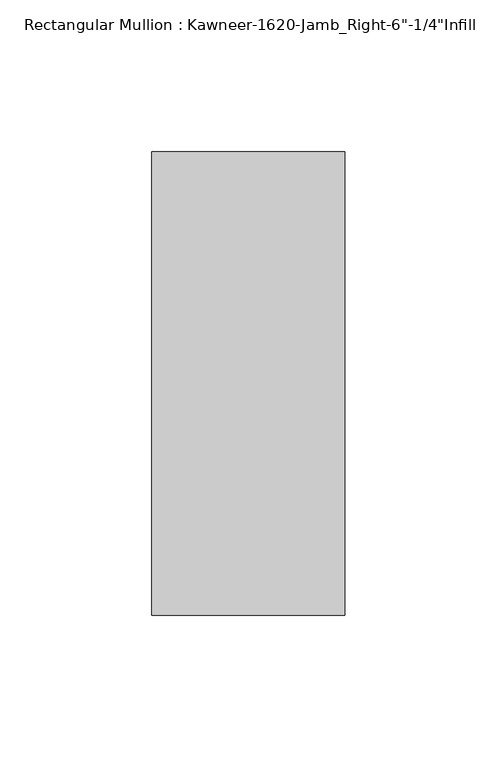
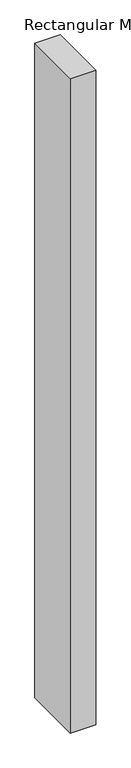
"""IFC4 building model written with IfcOpenShell, lengths in millimetres: member geometry."""

from ifc_helpers import new_model, si_unit, frame, origin, place, context, project, spatial, polyline, outline, extrude, source, transform, mapped, element, save


def member_bcb4cf2e(model_context):
    return source(origin(), model_context, "Body", "SweptSolid", [
        extrude(outline(polyline([(-22.225, 28.575), (41.275, 28.575), (41.275, -123.825), (-22.225, -123.825), (-22.225, 28.575)])), frame((0.0, 0.0, -1720.85), z_axis=(0.0, 0.0, 1.0), x_axis=(1.0, 0.0, 0.0)), (0.0, 0.0, 1.0), 1720.85),
    ])


if __name__ == "__main__":
    model = new_model("IFC4")
    model_context = context("Model", 3, world=origin())
    ifc_project = project(units=[si_unit("LENGTHUNIT", "METRE", prefix="MILLI")], contexts=[model_context])
    site = spatial("IfcSite", under=ifc_project)
    building = spatial("IfcBuilding", under=site)
    placement = place(None, origin())
    member_shape = member_bcb4cf2e(model_context)
    element("IfcMember", 1, ObjectType="Rectangular Mullion : Kawneer-1620-Jamb_Right-6\"-1/4\"Infill", at=placement, inside=building, context=model_context, shape_type="MappedRepresentation", body=[
        mapped(member_shape, transform((0.0, 0.0, 0.0), x_axis=(1.0, 0.0, 0.0), y_axis=(0.0, 1.0, 0.0), z_axis=(0.0, 0.0, 1.0))),
    ])
    save(model, "model.ifc")
